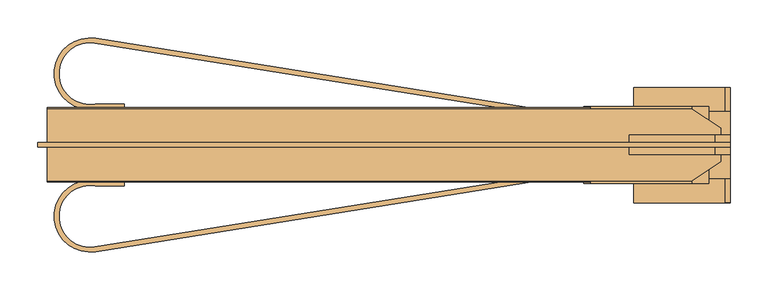
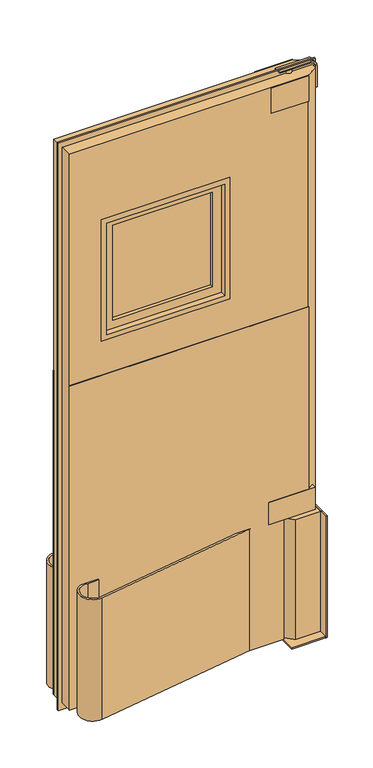
"""IFC4 building model written with IfcOpenShell, lengths in millimetres: door geometry."""

from ifc_helpers import new_model, si_unit, point, frame, frame_2d, origin, origin_with_axes, place, context, project, spatial, polyline, circle_curve, trimmed, segment, composite_curve, outline, extrude, faceted_brep, source, transform, mapped, element, save
from ifc_brep_helpers import plane_surface, cylinder_surface, advanced_brep


def door_c09ff7e9(model_context):
    return source(origin(), model_context, "Body", "SolidModel", [
        extrude(outline(composite_curve([segment(polyline([(-369.3028232, -144.6647743), (175.6910199, -57.5028808), (215.9, -57.5028808), (-368.3, -150.9350889)]), True, "CONTINUOUS"), segment(trimmed(circle_curve(frame_2d((-375.7713947, -104.2189848)), 47.3097888), [point((-368.3, -150.9350889))], [point((-368.3, -57.5028808))], False, "CARTESIAN"), True, "CONTINUOUS"), segment(polyline([(-368.3, -57.5028808), (-330.2, -57.5028808), (-330.2, -63.8528808), (-368.8228738, -63.8528808)]), True, "CONTINUOUS"), segment(trimmed(circle_curve(frame_2d((-375.7713947, -104.2189848)), 40.9597888), [point((-368.8228738, -63.8528808))], [point((-369.3028232, -144.6647743))], True, "CARTESIAN"), True, "CONTINUOUS")], self_intersect=False)), frame((0.0, 0.0, 25.4), z_axis=(0.0, 0.0, 1.0), x_axis=(1.0, 0.0, 0.0)), (0.0, 0.0, 1.0), 457.2),
        extrude(outline(composite_curve([segment(trimmed(circle_curve(frame_2d((-375.7713947, 84.4632233)), 40.9597888), [point((-369.3028232, 124.9090128))], [point((-368.8228738, 44.0971192))], True, "CARTESIAN"), True, "CONTINUOUS"), segment(polyline([(-368.8228738, 44.0971192), (-330.2, 44.0971192), (-330.2, 37.7471192), (-368.3, 37.7471192)]), True, "CONTINUOUS"), segment(trimmed(circle_curve(frame_2d((-375.7713947, 84.4632233)), 47.3097888), [point((-368.3, 37.7471192))], [point((-368.3, 131.1793274))], False, "CARTESIAN"), True, "CONTINUOUS"), segment(polyline([(-368.3, 131.1793274), (215.9, 37.7471192), (175.6910199, 37.7471192), (-369.3028232, 124.9090128)]), True, "CONTINUOUS")], self_intersect=False)), frame((0.0, 0.0, 25.4), z_axis=(0.0, 0.0, 1.0), x_axis=(1.0, 0.0, 0.0)), (0.0, 0.0, 1.0), 457.2),
        extrude(outline(polyline([(441.325, -60.6778808), (276.225, -60.6778808), (276.225, 40.9221192), (441.325, 40.9221192), (441.325, -60.6778808)])), frame((0.0, 0.0, 476.25), z_axis=(0.0, 0.0, 1.0), x_axis=(1.0, 0.0, 0.0)), (0.0, 0.0, 1.0), 82.55),
        extrude(outline(polyline([(428.625, -16.2278808), (415.925, -16.2278808), (415.925, -3.5278808), (428.625, -3.5278808), (428.625, -16.2278808)])), frame((0.0, 0.0, 457.2), z_axis=(0.0, 0.0, 1.0), x_axis=(1.0, 0.0, 0.0)), (0.0, 0.0, 1.0), 19.05),
        extrude(outline(polyline([(469.9, 34.5721192), (469.9, -54.3278808), (374.65, -54.3278808), (347.7092316, -27.3871124), (347.7092316, 7.6313509), (374.65, 34.5721192), (469.9, 34.5721192)])), origin_with_axes(), (0.0, 0.0, 1.0), 457.2),
        extrude(outline(polyline([(463.55, 66.3221192), (469.9, 66.3221192), (469.9, -86.0778808), (463.55, -86.0778808), (463.55, 66.3221192)])), origin_with_axes(), (0.0, 0.0, 1.0), 457.2),
        extrude(outline(polyline([(469.9, 66.3221192), (469.9, -86.0778808), (342.9, -86.0778808), (342.9, 66.3221192), (469.9, 66.3221192)])), origin_with_axes(), (0.0, 0.0, 1.0), 6.35),
        extrude(outline(polyline([(1371.6, -317.5), (1371.6, 139.7), (1828.8, 139.7), (1828.8, -317.5), (1371.6, -317.5)]), holes=[polyline([(1390.65, -298.45), (1809.75, -298.45), (1809.75, 120.65), (1390.65, 120.65), (1390.65, -298.45)])]), frame((0.0, -57.5028808, 0.0), z_axis=(0.0, 1.0, 0.0), x_axis=(0.0, 0.0, 1.0)), (0.0, 0.0, 1.0), 95.25),
        extrude(outline(polyline([(2133.6, 469.9), (2133.6, -444.5), (0.0, -444.5), (0.0, 469.9), (2133.6, 469.9)]), holes=[polyline([(1371.6, -317.5), (1828.8, -317.5), (1828.8, 139.7), (1371.6, 139.7), (1371.6, -317.5)])]), frame((0.0, -13.0528808, 0.0), z_axis=(0.0, 1.0, 0.0), x_axis=(0.0, 0.0, 1.0)), (0.0, 0.0, 1.0), 6.35),
        extrude(outline(polyline([(-266.7, 5.9971192), (88.9, 5.9971192), (88.9, -25.7528808), (-266.7, -25.7528808), (-266.7, 5.9971192)])), frame((0.0, 0.0, 1422.4), z_axis=(0.0, 0.0, 1.0), x_axis=(1.0, 0.0, 0.0)), (0.0, 0.0, 1.0), 355.6),
        extrude(outline(polyline([(1390.65, 120.65), (1809.75, 120.65), (1809.75, -298.45), (1390.65, -298.45), (1390.65, 120.65)]), holes=[polyline([(1778.0, 88.9), (1422.4, 88.9), (1422.4, -266.7), (1778.0, -266.7), (1778.0, 88.9)])]), frame((0.0, -38.4528808, 0.0), z_axis=(0.0, 1.0, 0.0), x_axis=(0.0, 0.0, 1.0)), (0.0, 0.0, 1.0), 57.15),
        extrude(outline(polyline([(1244.6, -431.8), (25.4, -431.8), (25.4, 330.2), (476.25, 330.2), (476.25, 419.1), (1244.6, 419.1), (1244.6, -431.8)])), frame((0.0, -59.0903808, 0.0), z_axis=(0.0, 1.0, 0.0), x_axis=(0.0, 0.0, 1.0)), (0.0, 0.0, 1.0), 1.5875),
        extrude(outline(polyline([(1244.6, -431.8), (25.4, -431.8), (25.4, 330.2), (476.25, 330.2), (476.25, 419.1), (1244.6, 419.1), (1244.6, -431.8)])), frame((0.0, 37.7471192, 0.0), z_axis=(0.0, 1.0, 0.0), x_axis=(0.0, 0.0, 1.0)), (0.0, 0.0, 1.0), 1.5875),
        faceted_brep([(-431.8, 37.7471192, 25.4), (-431.8, 37.7471192, 2114.55), (419.1, 37.7471192, 2114.55), (419.1, 37.7471192, 476.25), (330.2, 37.7471192, 476.25), (330.2, 37.7471192, 25.4), (-317.5, 37.7471192, 1828.8), (-317.5, 37.7471192, 1371.6), (139.7, 37.7471192, 1371.6), (139.7, 37.7471192, 1828.8), (-431.8, -57.5028808, 2114.55), (-431.8, -57.5028808, 25.4), (330.2, -57.5028808, 25.4), (330.2, -57.5028808, 476.25), (419.1, -57.5028808, 476.25), (419.1, -57.5028808, 2114.55), (-317.5, -57.5028808, 1371.6), (-317.5, -57.5028808, 1828.8), (139.7, -57.5028808, 1828.8), (139.7, -57.5028808, 1371.6), (457.2, 12.3471192, 2114.55), (457.2, -32.1028808, 2114.55), (457.2, -32.1028808, 476.25), (457.2, 12.3471192, 476.25)], [[[0, 1, 2, 3, 4, 5], [6, 7, 8, 9]], [[10, 11, 12, 13, 14, 15], [16, 17, 18, 19]], [[20, 21, 22, 23]], [[11, 0, 5, 12]], [[1, 0, 11, 10]], [[1, 10, 15, 21, 20, 2]], [[16, 7, 6, 17]], [[17, 6, 9, 18]], [[18, 9, 8, 19]], [[7, 16, 19, 8]], [[2, 20, 23, 3]], [[21, 15, 14, 22]], [[13, 4, 3, 23, 22, 14]], [[4, 13, 12, 5]]]),
        advanced_brep(
        [(374.65, -9.8778808, 2114.55), (385.7625, -9.8778808, 2114.55), (363.5375, -9.8778808, 2114.55), (363.5375, -9.8778808, 2128.8375), (385.7625, -9.8778808, 2128.8375), (374.65, -9.8778808, 2128.8375)],
        [
            (0, 1),
            (1, 2, circle_curve(frame((374.65, -9.8778808, 2114.55), z_axis=(0.0, 0.0, -1.0), x_axis=(1.0, 0.0, 0.0)), 11.1125)),
            (2, 0),
            (2, 1, circle_curve(frame((374.65, -9.8778808, 2114.55), z_axis=(0.0, 0.0, -1.0), x_axis=(1.0, 0.0, 0.0)), 11.1125)),
            (3, 4, circle_curve(frame((374.65, -9.8778808, 2128.8375), z_axis=(0.0, 0.0, 1.0), x_axis=(1.0, 0.0, 0.0)), 11.1125)),
            (4, 5),
            (5, 3),
            (4, 3, circle_curve(frame((374.65, -9.8778808, 2128.8375), z_axis=(0.0, 0.0, 1.0), x_axis=(1.0, 0.0, 0.0)), 11.1125)),
            (1, 4),
            (3, 2),
        ],
        [
            plane_surface(frame((374.65, -9.8778808, 2114.55), z_axis=(0.0, 0.0, -1.0), x_axis=(1.0, 0.0, 0.0))),
            plane_surface(frame((374.65, -9.8778808, 2128.8375), z_axis=(0.0, 0.0, 1.0), x_axis=(1.0, 0.0, 0.0))),
            cylinder_surface(frame((374.65, -9.8778808, -41.502018), z_axis=(0.0, 0.0, -1.0), x_axis=(1.0, 0.0, 0.0)), 11.1125),
        ],
        [
            (0, [[1, 2, 3]]),
            (0, [[-3, 4, -1]]),
            (1, [[5, 6, 7]]),
            (1, [[8, -7, -6]]),
            (2, [[-2, 9, -5, 10]]),
            (2, [[-4, -10, -8, -9]]),
        ],
    ),
        extrude(outline(polyline([(285.5618521, 40.9221192), (419.1, 40.9221192), (419.1, -60.6778808), (285.5618521, -60.6778808), (285.5618521, 40.9221192)])), frame((0.0, 0.0, 2019.3), z_axis=(0.0, 0.0, 1.0), x_axis=(1.0, 0.0, 0.0)), (0.0, 0.0, 1.0), 95.25),
        extrude(outline(composite_curve([segment(polyline([(2133.6, 336.55), (2128.8375, 336.55), (2128.8375, 449.2625)]), True, "CONTINUOUS"), segment(trimmed(circle_curve(frame_2d((2112.9625, 449.2625)), 15.875), [point((2128.8375, 449.2625))], [point((2112.9625, 465.1375))], True, "CARTESIAN"), True, "CONTINUOUS"), segment(polyline([(2112.9625, 465.1375), (2032.0, 465.1375), (2032.0, 469.9), (2112.9625, 469.9)]), True, "CONTINUOUS"), segment(trimmed(circle_curve(frame_2d((2112.9625, 449.2625)), 20.6375), [point((2112.9625, 469.9))], [point((2133.6, 449.2625))], False, "CARTESIAN"), True, "CONTINUOUS"), segment(polyline([(2133.6, 449.2625), (2133.6, 336.55)]), True, "CONTINUOUS")], self_intersect=False)), frame((0.0, -22.5778808, 0.0), z_axis=(0.0, 1.0, 0.0), x_axis=(0.0, 0.0, 1.0)), (0.0, 0.0, 1.0), 25.4),
    ])


if __name__ == "__main__":
    model = new_model("IFC4")
    model_context = context("Model", 3, world=origin())
    ifc_project = project(units=[si_unit("LENGTHUNIT", "METRE", prefix="MILLI")], contexts=[model_context])
    site = spatial("IfcSite", under=ifc_project)
    building = spatial("IfcBuilding", under=site)
    placement = place(None, origin())
    door_shape = door_c09ff7e9(model_context)
    element("IfcDoor", 1, at=placement, inside=building, context=model_context, shape_type="MappedRepresentation", body=[
        mapped(door_shape, transform((0.0, 0.0, 0.0), x_axis=(1.0, 0.0, 0.0), y_axis=(0.0, 1.0, 0.0), z_axis=(0.0, 0.0, 1.0))),
    ])
    save(model, "model.ifc")
